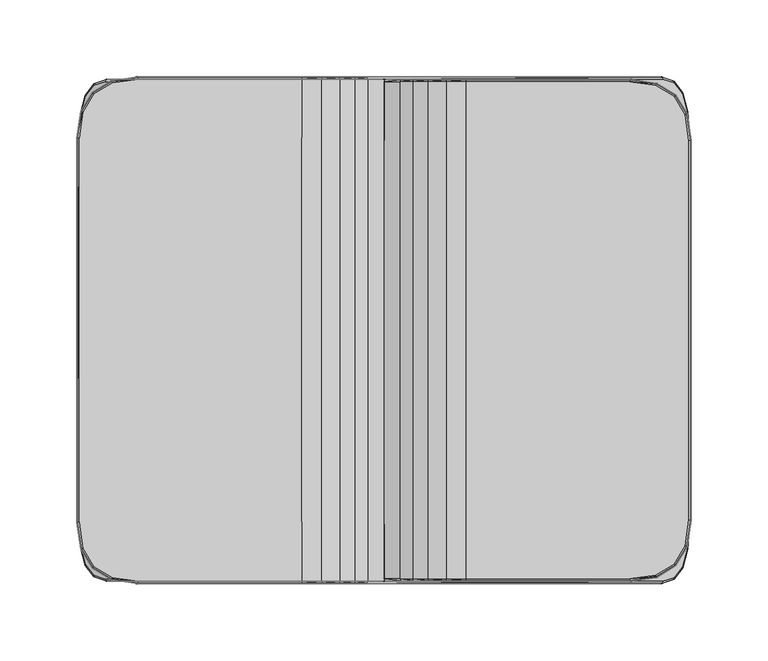
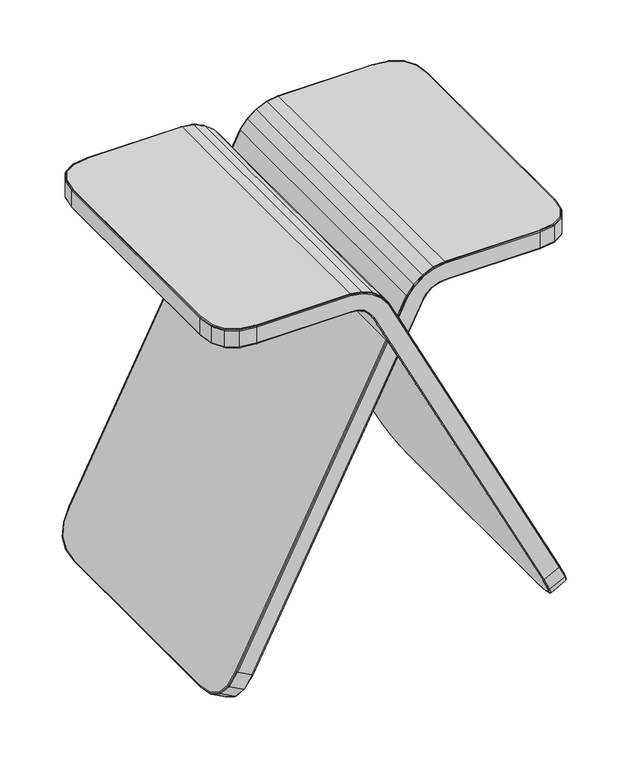
"""IFC4 building model written with IfcOpenShell, lengths in millimetres: furniture geometry."""

from ifc_helpers import new_model, si_unit, origin, place, context, project, spatial, triangles, source, transform, mapped, element, save


def furniture_2da6f09c(model_context):
    return source(origin(), model_context, "Body", "Tessellation", [
        triangles([(180.0871727, -164.9999395, 44.5897701), (163.6777273, -164.9999395, 35.8918272), (-27.4711838, -165.0000303, 413.7569758), (-11.9816667, -165.0000303, 424.0276789), (-159.9334791, -124.8935122, 428.3091399), (-159.9334791, 124.8933941, 428.3092489), (-198.4000628, 124.8863088, 428.2798539), (-198.4000628, -124.8864359, 428.2798176), (-159.8863708, -163.4000916, 450.0000034), (-159.9334973, -124.8936393, 450.0000034), (-53.7025315, -124.8935213, 450.0000034), (-53.7025269, -163.4000916, 450.0000034), (181.7203215, -125.0000282, 0.192185), (198.1407763, -125.0000282, 8.8957092), (198.1407763, 125.0001009, 8.8957512), (181.7203215, 125.0001009, 0.1921966), (162.3011035, -163.3999281, 35.2908442), (163.1217111, -124.8934213, 33.6671924), (-28.7213256, -124.8934668, 412.927993), (-28.7213278, -163.3999826, 412.9280293), (181.7027717, -124.8934213, 44.7183415), (181.7027717, 124.8935122, 44.7183824), (198.7891016, 124.8935122, 10.9367677), (198.7891016, -124.8934486, 10.9367246), (-18.7084568, -163.4000008, 434.9699252), (-18.7084522, -124.8934668, 434.9699252), (-10.7315159, -124.8934032, 424.856589), (-10.7315227, -163.3999826, 424.8566254), (-33.0970804, -163.3999826, 419.4117906), (-33.0979116, -124.8934668, 419.4098285), (-38.7374293, -124.8934668, 424.5374951), (-38.7374111, -163.3999826, 424.5374951), (-40.5664646, -163.4000916, 448.0491414), (-40.5664692, -124.8935848, 448.0491414), (-28.7601086, -124.8935848, 442.8885189), (-28.7601063, -163.4000916, 442.8885552), (-45.7512726, -163.3999826, 427.4756516), (-45.7511046, -124.8934668, 427.4885505), (-53.7025315, -124.8934668, 428.3902033), (-53.7025224, -163.3999826, 428.3657498), (-38.0209282, -165.0000303, 425.8552926), (-45.3847252, -164.9999577, 428.9298869), (-40.9330211, -165.000103, 446.5946154), (-29.4765938, -165.000103, 441.5707214), (-32.0786016, -165.0000303, 420.5131042), (-19.7269163, -165.0000485, 433.8687206), (-177.5000849, -162.5001102, 448.499986), (-160.0000812, -165.000103, 448.499986), (-160.0000812, -164.9999577, 429.815843), (-177.5000668, -162.4999649, 429.7995649), (-190.000085, -155.0001138, 448.499986), (-190.0000669, -154.9999503, 429.7879014), (-197.5000814, -142.5001137, 448.499986), (-197.5000633, -142.500032, 429.7809251), (-200.0000742, -125.0002644, 448.499986), (-200.000056, -125.000119, 429.7785633), (171.5713589, -162.4999467, 20.2732379), (187.9856186, -162.4999467, 28.9736176), (177.2096593, -154.9999503, 9.1171108), (193.6273709, -154.9999503, 17.8192294), (180.5926651, -142.4999866, 2.4234159), (197.0124295, -142.4999866, 11.1265738), (-53.7025269, -165.000103, 448.5000223), (-53.7025224, -164.9999577, 429.8652586), (-53.7025224, -164.6250169, 428.7403999), (-159.9734294, -164.6250169, 428.6908753), (-159.9734294, -164.6251077, 449.62499), (-53.7025269, -164.6251077, 449.6250263), (162.6717022, -164.6249442, 35.3887443), (-28.4087924, -164.6250169, 413.1352478), (-11.0440593, -164.6250169, 424.6493706), (181.069144, -164.6249442, 45.1403951), (-18.9630708, -164.6250532, 434.694615), (-28.939231, -164.6251077, 442.5591059), (-32.8424539, -164.6250169, 419.6871371), (-40.658106, -164.6251077, 447.6855008), (-45.6596449, -164.6250169, 427.8390741), (-38.5582887, -164.6250169, 424.8669808), (198.9655262, -124.9734128, 9.7571897), (198.9655262, 124.9734582, 9.7572022), (180.5571658, 124.9734582, 5.78e-05), (180.5571658, -124.9734128, 1.56e-05), (-177.3720767, -162.1394855, 428.6746699), (-197.1395657, -142.3721146, 449.62499), (-199.6250971, -124.9735945, 449.62499), (-199.6250789, -124.9734764, 428.65385), (-197.1395475, -142.3720238, 428.6562118), (-189.7267369, -154.7266385, 428.6631517), (-177.3720767, -162.1395763, 449.62499), (-189.726755, -154.726802, 449.62499), (179.4360496, -142.3719784, 2.218307), (188.9218623, -162.1394128, 29.6147008), (170.5196244, -162.1394128, 19.8606109), (176.0923947, -154.7266203, 8.8341821), (197.8437196, -142.3719784, 11.9751457), (194.4980118, -154.7266203, 18.5899831), (-159.8934743, -163.500031, 428.3160436), (181.3643839, -163.4999584, 45.3873777), (179.7183907, 124.8935122, 0.8284878), (179.7183907, -124.8934486, 0.8284458), (-176.9880886, -161.0579563, 428.3001288), (-196.057982, -141.9881446, 450.0000034), (-198.5000749, -124.8936393, 450.0000034), (-196.057982, -141.9879902, 428.2820704), (-188.9067651, -153.9067031, 428.288865), (-176.9880886, -161.0580471, 450.0000034), (-188.9067651, -153.9067939, 450.0000034), (178.6168591, -141.9879811, 3.0079798), (189.0798832, -161.0578836, 30.1329808), (170.0150767, -161.0578836, 20.0277224), (175.3911839, -153.9066668, 9.3903953), (197.6868796, -141.9879811, 13.1158918), (194.4592605, -153.9066668, 19.4973314), (-18.7084454, 124.893276, 434.9699615), (-10.7315079, 124.8932942, 424.8566617), (-33.0979048, 124.8933214, 419.4098648), (-38.7374248, 124.8933214, 424.5375315), (-40.5664646, 124.8932942, 448.0491414), (-28.7601063, 124.8933033, 442.8885552), (-45.7511, 124.8933214, 427.4885868), (-53.7025178, 124.8933214, 428.3902396), (-53.7025224, 124.8933214, 450.0000034), (-28.721321, 124.8933214, 412.9280293), (-198.400081, 124.8863451, 450.0000034), (-159.9334973, 124.8934304, 450.0000034), (163.1217111, 124.8935122, 33.6672332), (180.0871727, 165.000103, 44.5897837), (-11.9816576, 164.999994, 424.0277515), (-27.4711702, 164.999994, 413.7570122), (163.6777273, 165.000103, 35.8918431), (-200.0000742, 125.0000464, 448.499986), (-200.000056, 125.0000282, 429.7785996), (-159.8863708, 163.400019, 450.0000761), (-53.7025178, 163.400019, 450.0000761), (162.3011035, 163.4000916, 35.2908896), (-28.7213165, 163.4999947, 412.9280293), (-18.7084454, 163.400019, 434.9699979), (-10.7315147, 163.3999826, 424.856698), (-33.0970782, 163.3999826, 419.4118632), (-38.737402, 163.3999826, 424.5375678), (-40.5664556, 163.400019, 448.0492141), (-28.760095, 163.400019, 442.8886279), (-45.7512635, 163.3999826, 427.4756879), (-53.7025178, 163.3999826, 428.3657862), (-38.0209169, 164.999994, 425.8553653), (-29.4765824, 165.0000303, 441.5707941), (-40.9330075, 165.0000303, 446.594688), (-45.3847161, 164.999994, 428.9299596), (-19.726905, 165.0000303, 433.8687206), (-32.0785947, 164.999994, 420.5131405), (-177.5000849, 162.5000194, 448.500095), (-177.5000668, 162.5000012, 429.7996013), (-160.0000812, 164.999994, 429.8159157), (-160.0000812, 165.0000303, 448.500095), (-190.000085, 155.000023, 448.5000587), (-190.0000669, 155.000023, 429.7879741), (-197.5000814, 142.5000411, 448.5000223), (-197.5000633, 142.5000411, 429.7809614), (171.5713589, 162.5000921, 20.2732538), (187.9856186, 162.5000921, 28.9736335), (177.2096593, 155.0001138, 9.1171244), (193.6273709, 155.0001138, 17.8192737), (180.5926651, 142.5001137, 2.4234593), (197.0124295, 142.5001137, 11.1265874), (-53.7025178, 164.999994, 429.8653313), (-53.7025178, 165.0000303, 448.500095), (-159.9734294, 164.6249805, 428.6909843), (-53.7025178, 164.6249805, 428.7404363), (-53.7025178, 164.6250169, 449.6250627), (-159.9734294, 164.6250169, 449.6250627), (-28.408781, 164.6249805, 413.1352841), (162.6717022, 164.6250896, 35.3887897), (181.069144, 164.6250896, 45.1404405), (-11.044049, 164.6249805, 424.6494432), (-18.9630594, 164.6250169, 434.6946513), (-28.9392197, 164.6250169, 442.5591422), (-32.8424471, 164.6249805, 419.6871735), (-40.6580924, 164.6250169, 447.6855735), (-45.6596358, 164.6249805, 427.8391468), (-38.5582842, 164.6249805, 424.8670172), (-199.6250789, 124.9733765, 428.6539227), (-199.6250971, 124.9734128, 449.62499), (-177.3720767, 162.1395036, 428.6747426), (-197.1395657, 142.372042, 449.6250263), (-197.1395475, 142.372042, 428.6562481), (-189.7267369, 154.7267293, 428.6631881), (-177.3720767, 162.1395036, 449.6250627), (-189.726755, 154.7267293, 449.6250627), (179.4360496, 142.3721146, 2.2183202), (188.9218623, 162.1395581, 29.6147462), (170.5196244, 162.1395763, 19.8606541), (176.0923947, 154.726802, 8.8342258), (197.8437196, 142.3721146, 11.9751593), (194.4980118, 154.726802, 18.5900274), (-159.8934743, 163.4999947, 428.3161526), (181.3643839, 163.5001037, 45.3873913), (-176.9880886, 161.0579563, 428.3002015), (-196.057982, 141.9880356, 450.0000034), (-196.057982, 141.9880356, 428.2820704), (-188.9067651, 153.9067394, 428.2889377), (-176.9880886, 161.0579563, 450.0000761), (-188.9067651, 153.9067394, 450.0000398), (178.6168591, 141.9881174, 3.0079928), (189.0798832, 161.0580289, 30.1329967), (170.0150767, 161.0580471, 20.0277701), (175.3911839, 153.9068303, 9.3904396), (197.6868796, 141.9881174, 13.1159055), (194.4592605, 153.9068303, 19.4973769), (-181.7203215, 0.0002187, 0.1922392), (-180.5571658, 0.0002187, 7.01e-05), (-180.5571658, 123.3735286, 1.48e-05), (-181.7203215, 123.4001713, 0.1922144), (-179.7183907, 0.0002186, 0.8285005), (-179.7183907, 123.2935826, 0.8284451), (159.9333701, -2.59e-05, 450.0000398), (53.702427, -2.27e-05, 450.0000034), (53.702427, 123.2933464, 450.0000034), (159.9333701, 123.2934282, 450.0000398), (27.4710862, 163.400019, 413.7569758), (11.9815668, 163.3999826, 424.0277152), (1.0050975, 163.400019, 402.3246795), (11.3714478, 163.4000008, 381.9035786), (199.9999652, 9.58e-05, 429.7785996), (199.9999652, -2.7e-05, 448.5000223), (199.9999652, 123.4000623, 448.5000223), (199.9999652, 123.4000169, 429.7786723), (159.8862618, 161.8000258, 450.0000761), (53.7024225, 161.8000258, 450.0000398), (10.7314126, 123.2932919, 424.8566254), (10.7314216, 161.8000258, 424.8566617), (18.70835, 161.8000621, 434.9699615), (18.7083478, 123.2932737, 434.9699252), (38.7373248, 123.2933192, 424.5374951), (38.7373067, 161.8000258, 424.5375315), (33.0969873, 161.8000258, 419.4118269), (33.0978185, 123.2933192, 419.4098285), (28.7600064, 123.293301, 442.8885189), (28.7600019, 161.8000621, 442.8885916), (40.5663602, 161.8000258, 448.0491777), (40.5663647, 123.2933192, 448.0491414), (53.7024225, 123.2933192, 428.3902033), (53.7024225, 161.8000258, 428.3657498), (45.7511636, 161.8000258, 427.4756516), (45.7510046, 123.2933192, 427.4885505), (40.9329121, 163.3999826, 446.594688), (29.4764916, 163.400019, 441.5707578), (38.0208192, 163.3999826, 425.8553289), (45.3846208, 163.3999826, 428.9299232), (32.0785084, 163.3999826, 420.5131042), (19.7268119, 163.400019, 433.8687206), (177.4999759, 160.9000262, 429.7996013), (177.4999578, 160.9000262, 448.5001313), (159.9999722, 163.3999826, 448.5000587), (159.9999903, 163.3999826, 429.8159157), (189.999976, 153.4000298, 429.7880104), (189.999976, 153.4000298, 448.5001313), (197.4999724, 140.9000297, 429.7809978), (197.4999543, 140.9000297, 448.5000587), (-180.0871727, 163.400128, 44.589861), (-187.9856186, 160.9001352, 28.9737107), (-171.5713589, 160.9000989, 20.2733333), (-163.6777273, 163.400128, 35.8919271), (-193.6273709, 153.4001025, 17.8192896), (-177.2096593, 153.4001025, 9.1172044), (-197.0124295, 140.9001205, 11.126601), (-180.5926651, 140.9001205, 2.4234775), (-198.1407763, 123.4001713, 8.8957046), (53.7024225, 163.3999826, 448.5000223), (53.7024225, 163.3999826, 429.8652586), (28.7212324, 161.800044, 412.9280293), (28.7212302, 123.2932919, 412.927993), (53.7024225, 163.0249874, 428.7403999), (159.9733386, 163.0249874, 428.6909843), (159.9733023, 163.0249874, 449.6250627), (53.7024225, 163.0249874, 449.6250627), (11.9388482, 163.0252417, 380.5478837), (0.3384713, 163.0252599, 403.483257), (28.4086925, 163.0250237, 413.1352478), (32.8423563, 163.0249874, 419.6871371), (40.657997, 163.0249874, 447.6855735), (38.5581888, 163.0249874, 424.8669808), (45.6595404, 163.0249874, 427.8391105), (198.4999841, 9.6e-05, 428.2797812), (199.6249881, 9.59e-05, 428.6539227), (199.6249881, 123.3733561, 428.653959), (198.4999841, 123.2934009, 428.2798176), (199.6249699, -2.71e-05, 449.6250627), (199.6249699, 123.3734196, 449.6250627), (177.3719859, 160.5394923, 428.6747426), (197.1394385, 140.7720488, 449.6250627), (197.1394567, 140.7720488, 428.6562844), (189.726646, 153.126718, 428.6632244), (177.3719677, 160.5394923, 449.625099), (189.7266279, 153.126718, 449.625099), (-179.4360496, 140.7721305, 2.2183387), (-181.069144, 163.0251327, 45.1404587), (-188.9218623, 160.5395831, 29.6147644), (-170.5196244, 160.5395649, 19.8606745), (-162.6717022, 163.0251327, 35.3888169), (-176.0923947, 153.1267907, 8.8342457), (-197.8437196, 140.7721305, 11.9751729), (-198.9655262, 123.3735286, 9.7572147), (-194.4980118, 153.1267907, 18.5900422), (28.9391243, 163.0250237, 442.5591059), (18.9629641, 163.0250237, 434.694615), (11.0439593, 163.0249874, 424.6494069), (159.8934016, 161.9000197, 428.3161526), (12.1476483, 161.800044, 380.1350455), (0.1684158, 161.900165, 403.972871), (198.4999659, -2.71e-05, 450.0000398), (198.4999659, 123.2934645, 450.0000398), (176.9879977, 159.4579449, 428.3001652), (196.057873, 140.3880424, 450.0000761), (196.0578911, 140.3880424, 428.282143), (188.9066743, 152.3067372, 428.2889377), (176.9879796, 159.4579449, 450.0001124), (188.9066561, 152.3067372, 450.0001124), (-178.6168591, 140.3881333, 3.0080116), (-181.3643839, 161.9001105, 45.3874685), (-189.0798832, 159.4580358, 30.133074), (-170.0150767, 159.4580176, 20.0277905), (-162.3043191, 161.9001105, 35.2845673), (-175.3911839, 152.3068098, 9.3904583), (-197.6868796, 140.3881333, 13.1159202), (-198.7891016, 123.2935826, 10.93672), (-194.4592605, 152.3068098, 19.4973905), (159.9333883, 123.2933737, 428.3092489), (-181.7027717, 123.2935462, 44.7183415), (12.208313, 0.0001342, 380.2549873), (28.7212256, 0.0001017, 412.927993), (12.2083164, 123.2934009, 380.2550237), (-163.1217111, 123.293519, 33.6671924), (0.1684643, 123.2932556, 403.9727983), (-11.4175012, 163.4000008, 377.7623706), (-12.044047, 163.0252235, 379.0012121), (-0.9614501, 163.400019, 357.5027424), (-11.3090515, 163.4000008, 377.9768197), (-1.0660051, 163.400019, 357.2958873), (-0.2377235, 161.8938427, 355.6583782), (-0.4392025, 163.0252235, 356.0566461), (-12.2529653, 161.9001287, 379.414341), (-181.7027717, 0.0002166, 44.718396), (-12.2531481, 123.2933737, 379.4138686), (-12.2531106, 0.000135, 379.4137959), (-0.2307972, 123.2933827, 355.6425725), (159.9333883, 9.71e-05, 428.3092126), (-198.1407763, 0.0002188, 8.8957597), (-198.7891016, 0.0002187, 10.9367757), (-198.9655262, 0.0002187, 9.7572408), (10.7314091, 0.0001017, 424.856589), (18.7083443, 4e-05, 434.9698889), (38.7373248, 0.0001009, 424.5374951), (33.097814, 0.0001013, 419.4098285), (28.7600019, -2.17e-05, 442.8884826), (40.5663602, -2.23e-05, 448.0491414), (53.7024179, 0.0001003, 428.390167), (45.7510001, 0.0001005, 427.4885505), (-163.1217111, 0.0002166, 33.6672514), (0.1685083, 0.0001335, 403.9727257), (-0.2307971, 0.0001053, 355.6425725), (11.3137114, 123.2934009, 381.7838548), (11.3137273, 0.0001342, 381.7837821), (-11.3089345, 123.2933737, 377.9765654), (-11.3089005, 0.000135, 377.9764927), (-12.144159, 0.000135, 379.6291534), (-12.1441965, 123.2933737, 379.6292624), (0.9649249, 161.8000985, 402.2446698), (11.3136933, 161.800044, 381.7838548), (-11.308972, 161.8000076, 377.976638), (-12.1442306, 161.9001287, 379.6292988), (-11.935368, 163.0252235, 379.2160609), (-0.954661, 123.2933827, 357.4893348), (-0.9546571, 0.0001052, 357.4892984), (-0.9614596, 161.8942606, 357.5027424), (-0.1260628, 123.2933827, 355.849791), (-0.1260627, 0.0001052, 355.849791), (-0.1335194, 161.8938427, 355.864543), (-0.3348916, 163.0252235, 356.2630288), (0.9649638, 123.2932556, 402.2445971), (0.9650059, 0.0001336, 402.2445245), (-181.7203215, -123.3999079, 0.1921724), (-180.5571658, -123.3732925, -2.72e-05), (-179.7183907, -123.2933282, 0.8284032), (159.9333701, -123.2936098, 450.0000034), (53.7024225, -123.2934827, 449.9999671), (0.9647683, -163.3998918, 402.2448878), (11.3714387, -163.3998918, 381.9035422), (199.9999652, -123.400035, 429.7785996), (199.9999652, -123.4002439, 448.5000223), (159.8862618, -161.800044, 449.9999671), (53.7024134, -161.800044, 449.9999671), (12.1476563, -123.2933827, 380.1349365), (12.1476392, -161.7999168, 380.1349365), (10.7314057, -123.293301, 424.856589), (18.7083409, -123.2933646, 434.9698889), (18.7083387, -161.7999168, 434.9698889), (10.7314126, -161.7998986, 424.856589), (38.7373203, -123.2933646, 424.5374225), (33.0978117, -123.293301, 419.4098285), (33.0969805, -161.7998986, 419.4117179), (38.7373067, -161.7998986, 424.5374951), (28.7599996, -123.2934827, 442.8884826), (40.5663602, -123.2934827, 448.0491051), (40.5663511, -161.800044, 448.0491051), (28.7599905, -161.800044, 442.8884826), (53.7024134, -123.2933646, 428.3901306), (45.7510001, -123.2933646, 427.4885505), (45.7511636, -161.7998986, 427.4756152), (53.7024134, -161.7998986, 428.3657135), (29.4764802, -163.4000008, 441.5706851), (40.932903, -163.4000008, 446.594579), (45.3846117, -163.3998555, 428.9298506), (38.0208124, -163.3999281, 425.8552926), (177.4999578, -160.9000081, 448.4999496), (177.4999759, -160.8998627, 429.7995286), (159.9999903, -163.3998555, 429.815843), (159.9999722, -163.4000008, 448.499986), (189.999976, -153.4000116, 448.499986), (189.999976, -153.3998663, 429.7879014), (197.4999543, -140.9000115, 448.5000223), (197.4999724, -140.8999298, 429.7809251), (-180.0871727, -163.3998191, 44.5898473), (-163.6777273, -163.3998191, 35.8919135), (-171.5713589, -160.8998264, 20.2733174), (-187.9856186, -160.8998264, 28.973697), (-177.2096593, -153.39983, 9.1171908), (-193.6273709, -153.39983, 17.8192759), (-180.5926651, -140.899848, 2.4234644), (-197.0124295, -140.899848, 11.1265885), (-198.1407763, -123.3999079, 8.8956626), (53.7024134, -163.3998555, 429.8652223), (53.7024134, -163.4000008, 448.499986), (28.7212234, -123.293301, 412.927993), (28.7212211, -161.7998986, 412.9279567), (53.7024134, -163.0249329, 428.7403636), (159.9733386, -163.0249329, 428.6908753), (159.9733023, -163.0250237, 449.62499), (53.7024134, -163.0250237, 449.62499), (11.9991086, -163.0251327, 380.6670261), (0.3384616, -163.0251327, 403.4831843), (40.6579879, -163.0250237, 447.6855008), (45.6595313, -163.0249329, 427.8390378), (38.5581797, -163.0249329, 424.8669082), (198.4999841, -123.2934282, 428.2797812), (199.6249881, -123.3733924, 428.6539227), (199.6249699, -123.373565, 449.6250627), (177.3719859, -160.5393833, 428.6746699), (197.1394385, -140.7720306, 449.6250627), (197.1394567, -140.7719398, 428.6562481), (189.726646, -153.1265545, 428.6631517), (177.3719677, -160.5394741, 449.6249537), (189.7266279, -153.1266998, 449.62499), (-179.4360496, -140.7718489, 2.2183255), (-188.9218623, -160.5392924, 29.6147485), (-181.069144, -163.0248057, 45.1404451), (-162.6717022, -163.0248057, 35.388801), (-170.5196244, -160.5392924, 19.8606609), (-176.0923947, -153.1265, 8.8342315), (-198.9655262, -123.3732925, 9.7571738), (-197.8437196, -140.7718489, 11.9751593), (-194.4980118, -153.1265, 18.5900297), (28.9391129, -163.0250237, 442.5590695), (159.8934016, -161.8999289, 428.3160436), (12.2009756, -161.8937337, 380.2696303), (11.0439503, -163.0249329, 424.6492979), (0.1684062, -161.9000197, 403.9728347), (18.9629527, -163.0249692, 434.6945423), (28.4086811, -163.0249329, 413.1352115), (32.8423494, -163.0249329, 419.6871008), (198.4999659, -123.2936098, 450.0000398), (176.9879977, -159.4578541, 428.3000925), (196.057873, -140.3880606, 450.0000398), (196.0578911, -140.3878971, 428.2820704), (188.9066743, -152.3065373, 428.288865), (176.9879796, -159.4579449, 449.9999671), (188.9066561, -152.3067462, 450.0000034), (-178.6168591, -140.3878789, 3.0079985), (-189.0798832, -159.4577451, 30.1330603), (-181.3643839, -161.8998199, 45.3874549), (-162.3043191, -161.8998199, 35.2845537), (-170.0150767, -159.4577451, 20.0277746), (-175.3911839, -152.306501, 9.3904447), (-198.7891016, -123.2933282, 10.936678), (-197.6868796, -140.3878789, 13.1159066), (-194.4592605, -152.306501, 19.4973769), (159.9333883, -123.2934282, 428.3091763), (-181.7027717, -123.293301, 44.7183006), (-163.1217111, -123.2932465, 33.6671515), (0.1296576, -123.2933282, 403.8960225), (-11.4175114, -163.3998918, 377.7622979), (-12.0440561, -163.0251327, 379.0011031), (-0.9614599, -163.3998918, 357.5026697), (-1.0660149, -163.3998918, 357.2957783), (-11.3090617, -163.3998918, 377.976747), (-0.2302869, -161.7999168, 355.6435535), (-0.4392123, -163.0251327, 356.0565371), (-12.2529744, -161.9000197, 379.4142683), (-12.2531561, -123.2933827, 379.4137959), (-0.2308046, -123.2934191, 355.6425362), (11.3137035, -123.2933827, 381.7837821), (-11.3089425, -123.2933827, 377.976529), (-12.1442045, -123.2933827, 379.6291898), (11.3081988, -161.8941516, 381.7948279), (0.9642133, -161.8996018, 402.2460142), (-11.3095386, -161.8996018, 377.9776554), (-11.935377, -163.0251327, 379.2159883), (-12.1442397, -161.9000197, 379.6292624), (-0.9546684, -123.2934191, 357.4892621), (-0.9546791, -161.7999168, 357.4892984), (-0.1260702, -123.2934191, 355.8497546), (-0.133529, -161.8936611, 355.864543), (-0.3349013, -163.0251327, 356.2629561), (0.9649564, -123.2933282, 402.2445608), (19.7268005, -163.3999463, 433.868648), (32.0785016, -163.3999281, 420.5130315), (27.4710748, -163.3999281, 413.7569032), (11.9815577, -163.3999281, 424.0276062)], [[1, 2, 3], [3, 4, 1], [5, 6, 7], [7, 8, 5], [9, 10, 11], [11, 12, 9], [13, 14, 15], [15, 16, 13], [17, 18, 19], [19, 20, 17], [21, 22, 23], [23, 24, 21], [25, 26, 27], [27, 28, 25], [29, 30, 31], [31, 32, 29], [33, 34, 35], [35, 36, 33], [37, 38, 39], [39, 40, 37], [41, 42, 43], [43, 44, 41], [3, 45, 46], [46, 4, 3], [47, 48, 49], [49, 50, 47], [51, 47, 50], [50, 52, 51], [53, 51, 52], [52, 54, 53], [55, 53, 54], [54, 56, 55], [57, 2, 1], [1, 58, 57], [59, 57, 58], [58, 60, 59], [61, 59, 60], [60, 62, 61], [13, 61, 62], [62, 14, 13], [49, 48, 63], [63, 64, 49], [12, 11, 34], [34, 33, 12], [32, 31, 38], [38, 37, 32], [64, 63, 43], [43, 42, 64], [36, 35, 26], [26, 25, 36], [20, 19, 30], [30, 29, 20], [41, 44, 46], [46, 45, 41], [65, 66, 49], [49, 64, 65], [67, 68, 63], [63, 48, 67], [69, 70, 3], [3, 2, 69], [71, 72, 1], [1, 4, 71], [73, 46, 44], [44, 74, 73], [75, 45, 3], [3, 70, 75], [76, 43, 63], [63, 68, 76], [77, 42, 41], [41, 78, 77], [14, 79, 80], [80, 15, 14], [16, 81, 82], [82, 13, 16], [83, 50, 49], [49, 66, 83], [84, 53, 55], [55, 85, 84], [86, 56, 54], [54, 87, 86], [87, 54, 52], [52, 88, 87], [88, 52, 50], [50, 83, 88], [67, 48, 47], [47, 89, 67], [89, 47, 51], [51, 90, 89], [90, 51, 53], [53, 84, 90], [91, 61, 13], [13, 82, 91], [92, 58, 1], [1, 72, 92], [69, 2, 57], [57, 93, 69], [93, 57, 59], [59, 94, 93], [94, 59, 61], [61, 91, 94], [79, 14, 62], [62, 95, 79], [95, 62, 60], [60, 96, 95], [96, 60, 58], [58, 92, 96], [74, 44, 43], [43, 76, 74], [65, 64, 42], [42, 77, 65], [71, 4, 46], [46, 73, 71], [78, 41, 45], [45, 75, 78], [40, 97, 66], [66, 65, 40], [9, 12, 68], [68, 67, 9], [17, 20, 70], [70, 69, 17], [28, 98, 72], [72, 71, 28], [25, 73, 74], [74, 36, 25], [29, 75, 70], [70, 20, 29], [33, 76, 68], [68, 12, 33], [37, 77, 78], [78, 32, 37], [79, 24, 23], [23, 80, 79], [81, 99, 100], [100, 82, 81], [101, 83, 66], [66, 97, 101], [102, 84, 85], [85, 103, 102], [8, 86, 87], [87, 104, 8], [104, 87, 88], [88, 105, 104], [105, 88, 83], [83, 101, 105], [9, 67, 89], [89, 106, 9], [106, 89, 90], [90, 107, 106], [107, 90, 84], [84, 102, 107], [108, 91, 82], [82, 100, 108], [109, 92, 72], [72, 98, 109], [17, 69, 93], [93, 110, 17], [110, 93, 94], [94, 111, 110], [111, 94, 91], [91, 108, 111], [24, 79, 95], [95, 112, 24], [112, 95, 96], [96, 113, 112], [113, 96, 92], [92, 109, 113], [36, 74, 76], [76, 33, 36], [40, 65, 77], [77, 37, 40], [28, 71, 73], [73, 25, 28], [32, 78, 75], [75, 29, 32], [114, 115, 27], [27, 26, 114], [116, 117, 31], [31, 30, 116], [118, 119, 35], [35, 34, 118], [120, 121, 39], [39, 38, 120], [122, 118, 34], [34, 11, 122], [117, 120, 38], [38, 31, 117], [119, 114, 26], [26, 35, 119], [19, 123, 116], [116, 30, 19], [8, 104, 105], [105, 5, 8], [124, 125, 10], [10, 103, 124], [99, 126, 18], [18, 100, 99], [24, 112, 113], [113, 21, 24], [39, 121, 6], [6, 5, 39], [125, 122, 11], [11, 10, 125], [17, 110, 111], [111, 18, 17], [9, 106, 107], [107, 10, 9], [97, 40, 39], [39, 5, 97], [28, 27, 21], [21, 98, 28], [111, 108, 100], [100, 18, 111], [113, 109, 98], [98, 21, 113], [107, 102, 103], [103, 10, 107], [105, 101, 97], [97, 5, 105], [127, 128, 129], [129, 130, 127], [131, 55, 56], [56, 132, 131], [122, 125, 133], [133, 134, 122], [123, 126, 135], [135, 136, 123], [137, 138, 115], [115, 114, 137], [139, 140, 117], [117, 116, 139], [141, 142, 119], [119, 118, 141], [143, 144, 121], [121, 120, 143], [145, 146, 147], [147, 148, 145], [129, 128, 149], [149, 150, 129], [151, 152, 153], [153, 154, 151], [155, 156, 152], [152, 151, 155], [157, 158, 156], [156, 155, 157], [131, 132, 158], [158, 157, 131], [159, 160, 127], [127, 130, 159], [161, 162, 160], [160, 159, 161], [163, 164, 162], [162, 161, 163], [16, 15, 164], [164, 163, 16], [165, 166, 154], [154, 153, 165], [134, 141, 118], [118, 122, 134], [140, 143, 120], [120, 117, 140], [165, 148, 147], [147, 166, 165], [142, 137, 114], [114, 119, 142], [136, 139, 116], [116, 123, 136], [149, 146, 145], [145, 150, 149], [153, 167, 168], [168, 165, 153], [166, 169, 170], [170, 154, 166], [129, 171, 172], [172, 130, 129], [128, 127, 173], [173, 174, 128], [175, 176, 146], [146, 149, 175], [177, 171, 129], [129, 150, 177], [178, 169, 166], [166, 147, 178], [179, 180, 145], [145, 148, 179], [7, 181, 86], [86, 8, 7], [182, 85, 55], [55, 131, 182], [183, 167, 153], [153, 152, 183], [184, 182, 131], [131, 157, 184], [181, 185, 158], [158, 132, 181], [185, 186, 156], [156, 158, 185], [186, 183, 152], [152, 156, 186], [170, 187, 151], [151, 154, 170], [187, 188, 155], [155, 151, 187], [188, 184, 157], [157, 155, 188], [189, 81, 16], [16, 163, 189], [190, 173, 127], [127, 160, 190], [172, 191, 159], [159, 130, 172], [191, 192, 161], [161, 159, 191], [192, 189, 163], [163, 161, 192], [80, 193, 164], [164, 15, 80], [193, 194, 162], [162, 164, 193], [194, 190, 160], [160, 162, 194], [176, 178, 147], [147, 146, 176], [168, 179, 148], [148, 165, 168], [174, 175, 149], [149, 128, 174], [180, 177, 150], [150, 145, 180], [167, 195, 144], [144, 168, 167], [169, 134, 133], [133, 170, 169], [171, 136, 135], [135, 172, 171], [173, 196, 138], [138, 174, 173], [137, 142, 176], [176, 175, 137], [139, 136, 171], [171, 177, 139], [141, 134, 169], [169, 178, 141], [143, 140, 180], [180, 179, 143], [132, 56, 86], [86, 181, 132], [124, 103, 85], [85, 182, 124], [197, 195, 167], [167, 183, 197], [198, 124, 182], [182, 184, 198], [7, 199, 185], [185, 181, 7], [199, 200, 186], [186, 185, 199], [200, 197, 183], [183, 186, 200], [133, 201, 187], [187, 170, 133], [201, 202, 188], [188, 187, 201], [202, 198, 184], [184, 188, 202], [203, 99, 81], [81, 189, 203], [204, 196, 173], [173, 190, 204], [135, 205, 191], [191, 172, 135], [205, 206, 192], [192, 191, 205], [206, 203, 189], [189, 192, 206], [23, 207, 193], [193, 80, 23], [207, 208, 194], [194, 193, 207], [208, 204, 190], [190, 194, 208], [142, 141, 178], [178, 176, 142], [144, 143, 179], [179, 168, 144], [138, 137, 175], [175, 174, 138], [140, 139, 177], [177, 180, 140], [7, 6, 200], [200, 199, 7], [23, 22, 208], [208, 207, 23], [21, 27, 115], [115, 22, 21], [123, 19, 18], [18, 126, 123], [135, 126, 206], [206, 205, 135], [133, 125, 202], [202, 201, 133], [6, 121, 144], [144, 195, 6], [196, 22, 115], [115, 138, 196], [206, 126, 99], [99, 203, 206], [208, 22, 196], [196, 204, 208], [202, 125, 124], [124, 198, 202], [200, 6, 195], [195, 197, 200], [209, 210, 211], [211, 212, 209], [210, 213, 214], [214, 211, 210], [215, 216, 217], [217, 218, 215], [219, 220, 221], [221, 222, 219], [223, 224, 225], [225, 226, 223], [227, 218, 217], [217, 228, 227], [229, 230, 231], [231, 232, 229], [233, 234, 235], [235, 236, 233], [237, 238, 239], [239, 240, 237], [241, 242, 243], [243, 244, 241], [245, 246, 247], [247, 248, 245], [249, 250, 220], [220, 219, 249], [251, 252, 253], [253, 254, 251], [255, 256, 252], [252, 251, 255], [257, 258, 256], [256, 255, 257], [226, 225, 258], [258, 257, 226], [259, 260, 261], [261, 262, 259], [260, 263, 264], [264, 261, 260], [263, 265, 266], [266, 264, 263], [265, 267, 212], [212, 266, 265], [254, 253, 268], [268, 269, 254], [240, 239, 228], [228, 217, 240], [244, 243, 234], [234, 233, 244], [269, 268, 245], [245, 248, 269], [232, 231, 238], [238, 237, 232], [236, 235, 270], [270, 271, 236], [272, 273, 254], [254, 269, 272], [274, 275, 268], [268, 253, 274], [219, 278, 279], [279, 249, 219], [268, 275, 280], [280, 245, 268], [247, 281, 282], [282, 248, 247], [283, 284, 285], [285, 286, 283], [224, 287, 288], [288, 225, 224], [254, 273, 289], [289, 251, 254], [225, 288, 290], [290, 258, 225], [257, 291, 285], [285, 226, 257], [255, 292, 291], [291, 257, 255], [251, 289, 292], [292, 255, 251], [252, 293, 274], [274, 253, 252], [256, 294, 293], [293, 252, 256], [258, 290, 294], [294, 256, 258], [212, 211, 295], [295, 266, 212], [259, 296, 297], [297, 260, 259], [261, 298, 299], [299, 262, 261], [264, 300, 298], [298, 261, 264], [266, 295, 300], [300, 264, 266], [265, 301, 302], [302, 267, 265], [263, 303, 301], [301, 265, 263], [260, 297, 303], [303, 263, 260], [245, 280, 304], [304, 246, 245], [248, 282, 272], [272, 269, 248], [250, 305, 306], [306, 220, 250], [242, 307, 273], [273, 272, 242], [227, 228, 275], [275, 274, 227], [306, 230, 309], [309, 277, 306], [278, 270, 235], [235, 279, 278], [275, 228, 239], [239, 280, 275], [281, 234, 243], [243, 282, 281], [284, 223, 226], [226, 285, 284], [287, 310, 311], [311, 288, 287], [273, 307, 312], [312, 289, 273], [288, 311, 313], [313, 290, 288], [291, 314, 286], [286, 285, 291], [292, 315, 314], [314, 291, 292], [289, 312, 315], [315, 292, 289], [293, 316, 227], [227, 274, 293], [294, 317, 316], [316, 293, 294], [290, 313, 317], [317, 294, 290], [211, 214, 318], [318, 295, 211], [296, 319, 320], [320, 297, 296], [298, 321, 322], [322, 299, 298], [300, 323, 321], [321, 298, 300], [295, 318, 323], [323, 300, 295], [301, 324, 325], [325, 302, 301], [303, 326, 324], [324, 301, 303], [297, 320, 326], [326, 303, 297], [280, 239, 238], [238, 304, 280], [282, 243, 242], [242, 272, 282], [305, 231, 230], [230, 306, 305], [315, 327, 286], [286, 314, 315], [326, 328, 325], [325, 324, 326], [329, 330, 271], [271, 331, 329], [323, 332, 322], [322, 321, 323], [317, 218, 227], [227, 316, 317], [242, 241, 327], [327, 307, 242], [214, 332, 323], [323, 318, 214], [319, 328, 326], [326, 320, 319], [311, 218, 317], [317, 313, 311], [307, 327, 315], [315, 312, 307], [296, 259, 334], [334, 335, 296], [336, 337, 334], [334, 338, 336], [262, 299, 340], [340, 338, 262], [342, 328, 343], [343, 344, 342], [322, 332, 345], [345, 339, 322], [319, 296, 335], [335, 341, 319], [299, 322, 339], [339, 340, 299], [328, 319, 341], [341, 343, 328], [283, 286, 327], [327, 346, 283], [209, 212, 267], [267, 347, 209], [348, 325, 328], [328, 342, 348], [347, 267, 302], [302, 349, 347], [349, 302, 325], [325, 348, 349], [350, 229, 232], [232, 351, 350], [352, 233, 236], [236, 353, 352], [354, 237, 240], [240, 355, 354], [356, 241, 244], [244, 357, 356], [355, 240, 217], [217, 216, 355], [357, 244, 233], [233, 352, 357], [351, 232, 237], [237, 354, 351], [353, 236, 271], [271, 330, 353], [215, 218, 311], [311, 310, 215], [358, 332, 214], [214, 213, 358], [346, 327, 241], [241, 356, 346], [333, 229, 350], [350, 359, 333], [345, 332, 358], [358, 360, 345], [361, 362, 329], [329, 331, 361], [363, 364, 365], [365, 366, 363], [367, 368, 222], [222, 221, 367], [369, 370, 371], [371, 337, 369], [369, 363, 366], [366, 370, 369], [363, 372, 373], [373, 364, 363], [369, 374, 372], [372, 363, 369], [337, 336, 374], [374, 369, 337], [372, 375, 376], [376, 373, 372], [374, 377, 375], [375, 372, 374], [378, 377, 374], [374, 336, 378], [368, 361, 331], [331, 308, 368], [379, 333, 359], [359, 380, 379], [367, 309, 333], [333, 379, 367], [379, 380, 362], [362, 361, 379], [368, 367, 379], [379, 361, 368], [368, 308, 276], [276, 222, 368], [277, 309, 367], [367, 221, 277], [209, 381, 382], [382, 210, 209], [210, 382, 383], [383, 213, 210], [215, 384, 385], [385, 216, 215], [224, 223, 388], [388, 389, 224], [390, 391, 385], [385, 384, 390], [394, 395, 396], [396, 397, 394], [398, 399, 400], [400, 401, 398], [402, 403, 404], [404, 405, 402], [406, 407, 408], [408, 409, 406], [410, 411, 412], [412, 413, 410], [414, 415, 416], [416, 417, 414], [418, 419, 415], [415, 414, 418], [420, 421, 419], [419, 418, 420], [389, 388, 421], [421, 420, 389], [422, 423, 424], [424, 425, 422], [425, 424, 426], [426, 427, 425], [427, 426, 428], [428, 429, 427], [429, 428, 381], [381, 430, 429], [417, 416, 431], [431, 432, 417], [403, 385, 391], [391, 404, 403], [407, 398, 401], [401, 408, 407], [411, 432, 431], [431, 412, 411], [395, 402, 405], [405, 396, 395], [399, 433, 434], [434, 400, 399], [435, 431, 416], [416, 436, 435], [437, 417, 432], [432, 438, 437], [432, 411, 441], [441, 438, 432], [413, 412, 442], [442, 443, 413], [283, 444, 445], [445, 284, 283], [224, 389, 446], [446, 287, 224], [416, 415, 447], [447, 436, 416], [389, 420, 448], [448, 446, 389], [421, 388, 445], [445, 449, 421], [419, 421, 449], [449, 450, 419], [415, 419, 450], [450, 447, 415], [414, 417, 437], [437, 451, 414], [418, 414, 451], [451, 452, 418], [420, 418, 452], [452, 448, 420], [381, 428, 453], [453, 382, 381], [422, 425, 454], [454, 455, 422], [424, 423, 456], [456, 457, 424], [426, 424, 457], [457, 458, 426], [428, 426, 458], [458, 453, 428], [429, 430, 459], [459, 460, 429], [427, 429, 460], [460, 461, 427], [425, 427, 461], [461, 454, 425], [411, 410, 462], [462, 441, 411], [412, 431, 435], [435, 442, 412], [409, 435, 436], [436, 463, 409], [390, 437, 438], [438, 391, 390], [465, 440, 466], [466, 397, 465], [462, 467, 396], [396, 405, 462], [468, 469, 400], [400, 434, 468], [438, 441, 404], [404, 391, 438], [443, 442, 408], [408, 401, 443], [284, 445, 388], [388, 223, 284], [287, 446, 470], [470, 310, 287], [436, 447, 471], [471, 463, 436], [446, 448, 472], [472, 470, 446], [449, 445, 444], [444, 473, 449], [450, 449, 473], [473, 474, 450], [447, 450, 474], [474, 471, 447], [451, 437, 390], [390, 475, 451], [452, 451, 475], [475, 476, 452], [448, 452, 476], [476, 472, 448], [382, 453, 477], [477, 383, 382], [455, 454, 478], [478, 479, 455], [457, 456, 480], [480, 481, 457], [458, 457, 481], [481, 482, 458], [453, 458, 482], [482, 477, 453], [460, 459, 483], [483, 484, 460], [461, 460, 484], [484, 485, 461], [454, 461, 485], [485, 478, 454], [441, 462, 405], [405, 404, 441], [442, 435, 409], [409, 408, 442], [467, 465, 397], [397, 396, 467], [469, 443, 401], [401, 400, 469], [474, 473, 444], [444, 486, 474], [485, 484, 483], [483, 487, 485], [433, 330, 329], [329, 392, 433], [482, 481, 480], [480, 488, 482], [476, 475, 390], [390, 384, 476], [409, 463, 486], [486, 406, 409], [383, 477, 482], [482, 488, 383], [479, 478, 485], [485, 487, 479], [470, 472, 476], [476, 384, 470], [463, 471, 474], [474, 486, 463], [490, 422, 455], [455, 491, 490], [492, 493, 490], [490, 494, 492], [496, 456, 423], [423, 493, 496], [498, 487, 342], [342, 344, 498], [499, 488, 480], [480, 495, 499], [491, 455, 479], [479, 497, 491], [495, 480, 456], [456, 496, 495], [497, 479, 487], [487, 498, 497], [283, 346, 486], [486, 444, 283], [209, 347, 430], [430, 381, 209], [348, 342, 487], [487, 483, 348], [347, 349, 459], [459, 430, 347], [349, 348, 483], [483, 459, 349], [350, 351, 395], [395, 394, 350], [352, 353, 399], [399, 398, 352], [354, 355, 403], [403, 402, 354], [356, 357, 407], [407, 406, 356], [355, 216, 385], [385, 403, 355], [357, 352, 398], [398, 407, 357], [351, 354, 402], [402, 395, 351], [353, 330, 433], [433, 399, 353], [215, 310, 470], [470, 384, 215], [358, 213, 383], [383, 488, 358], [346, 356, 406], [406, 486, 346], [350, 394, 489], [489, 359, 350], [358, 488, 499], [499, 360, 358], [500, 392, 329], [329, 362, 500], [501, 502, 365], [365, 364, 501], [503, 504, 386], [386, 387, 503], [505, 494, 506], [506, 507, 505], [505, 507, 502], [502, 501, 505], [501, 364, 373], [373, 508, 501], [505, 501, 508], [508, 509, 505], [494, 505, 509], [509, 492, 494], [508, 373, 376], [376, 510, 508], [509, 508, 510], [510, 511, 509], [512, 492, 509], [509, 511, 512], [503, 393, 392], [392, 500, 503], [513, 380, 359], [359, 489, 513], [504, 513, 489], [489, 466, 504], [513, 500, 362], [362, 380, 513], [504, 503, 500], [500, 513, 504], [503, 387, 439], [439, 393, 503], [440, 386, 504], [504, 466, 440], [434, 393, 464], [331, 271, 270], [270, 308, 331], [467, 462, 410], [410, 514, 467], [515, 413, 443], [443, 469, 515], [413, 515, 514], [514, 410, 413], [516, 515, 469], [469, 468, 516], [516, 517, 514], [514, 515, 516], [465, 467, 514], [514, 517, 465], [279, 235, 234], [234, 281, 279], [249, 279, 281], [281, 247, 249], [250, 249, 247], [247, 246, 250], [246, 304, 305], [305, 250, 246], [304, 238, 231], [231, 305, 304], [222, 276, 278], [278, 219, 222], [277, 221, 220], [220, 306, 277], [276, 308, 270], [270, 278, 276], [229, 333, 309], [309, 230, 229], [516, 387, 386], [386, 517, 516], [433, 392, 393], [393, 434, 433], [468, 439, 387], [387, 516, 468], [517, 386, 440], [440, 465, 517], [434, 464, 439], [439, 468, 434], [397, 466, 489], [489, 394, 397], [335, 334, 337], [337, 371, 335], [338, 334, 259], [259, 262, 338], [338, 340, 378], [378, 336, 338], [365, 344, 343], [343, 366, 365], [377, 339, 345], [345, 375, 377], [341, 335, 371], [371, 370, 341], [340, 339, 377], [377, 378, 340], [366, 343, 341], [341, 370, 366], [375, 345, 360], [360, 376, 375], [494, 490, 491], [491, 506, 494], [422, 490, 493], [493, 423, 422], [512, 496, 493], [493, 492, 512], [502, 498, 344], [344, 365, 502], [510, 499, 495], [495, 511, 510], [506, 491, 497], [497, 507, 506], [511, 495, 496], [496, 512, 511], [507, 497, 498], [498, 502, 507], [376, 360, 499], [499, 510, 376]], closed=False),
    ])


if __name__ == "__main__":
    model = new_model("IFC4")
    model_context = context("Model", 3, world=origin())
    ifc_project = project(units=[si_unit("LENGTHUNIT", "METRE", prefix="MILLI")], contexts=[model_context])
    site = spatial("IfcSite", under=ifc_project)
    building = spatial("IfcBuilding", under=site)
    placement = place(None, origin())
    furniture_shape = furniture_2da6f09c(model_context)
    element("IfcFurniture", 1, at=placement, inside=building, context=model_context, shape_type="MappedRepresentation", body=[
        mapped(furniture_shape, transform((0.0, 0.0, 0.0), x_axis=(1.0, 0.0, 0.0), y_axis=(0.0, 1.0, 0.0), z_axis=(0.0, 0.0, 1.0))),
    ])
    save(model, "model.ifc")
